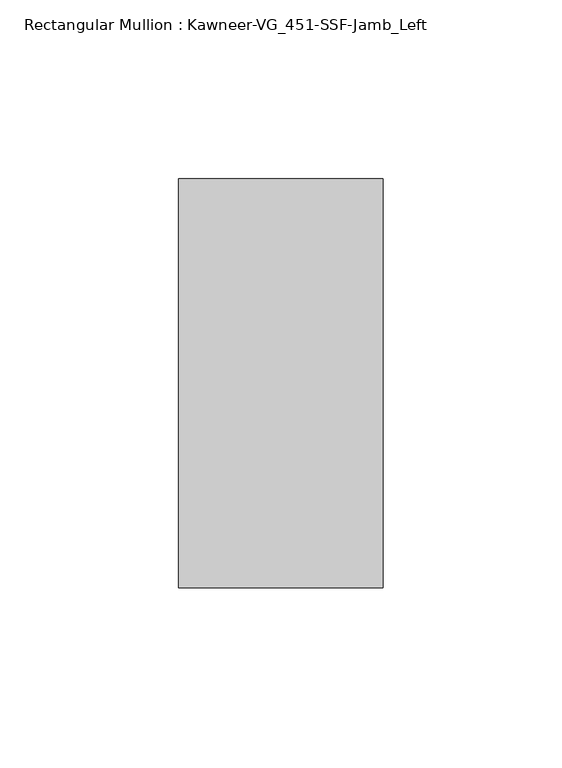
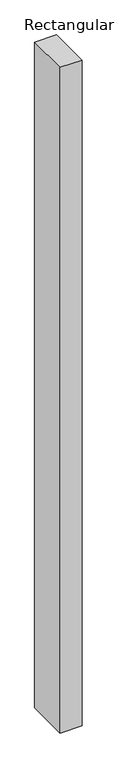
"""IFC4 building model written with IfcOpenShell, lengths in millimetres: member geometry, Rectangular Mullion : Kawneer-VG_451-SSF-Jamb_Left."""

from ifc_helpers import new_model, si_unit, frame, origin, place, context, project, spatial, polyline, outline, extrude, source, transform, mapped, element, save


def rectangular_mullion_kawneer_vg_451_ssf_jamb_left_6c2af602(model_context):
    return source(origin(), model_context, "Body", "SweptSolid", [
        extrude(outline(polyline([(-57.15, -57.15), (-57.15, 57.15), (0.0, 57.15), (0.0, -57.15), (-57.15, -57.15)])), frame((0.0, 0.0, -1828.8), z_axis=(0.0, 0.0, 1.0), x_axis=(1.0, 0.0, 0.0)), (0.0, 0.0, 1.0), 1828.8),
    ])


if __name__ == "__main__":
    model = new_model("IFC4")
    model_context = context("Model", 3, world=origin())
    ifc_project = project(units=[si_unit("LENGTHUNIT", "METRE", prefix="MILLI")], contexts=[model_context])
    site = spatial("IfcSite", under=ifc_project)
    building = spatial("IfcBuilding", under=site)
    placement = place(None, origin())
    rectangular_mullion_kawneer_vg_451_ssf_jamb_left_shape = rectangular_mullion_kawneer_vg_451_ssf_jamb_left_6c2af602(model_context)
    element("IfcMember", 1, ObjectType="Rectangular Mullion : Kawneer-VG_451-SSF-Jamb_Left", at=placement, inside=building, context=model_context, shape_type="MappedRepresentation", body=[
        mapped(rectangular_mullion_kawneer_vg_451_ssf_jamb_left_shape, transform((0.0, 0.0, 0.0), x_axis=(1.0, 0.0, 0.0), y_axis=(0.0, 1.0, 0.0), z_axis=(0.0, 0.0, 1.0))),
    ])
    save(model, "model.ifc")
